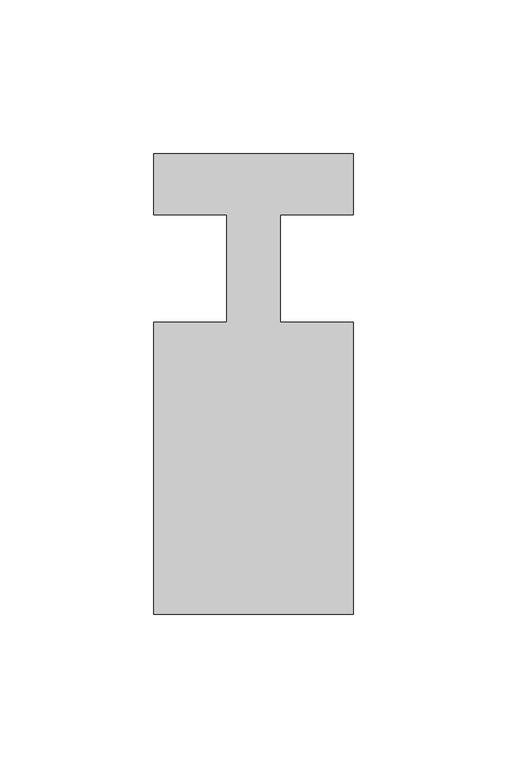
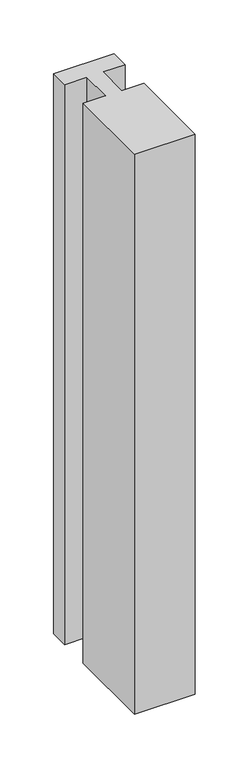
"""IFC4 building model written with IfcOpenShell, lengths in millimetres: member geometry."""

from ifc_helpers import new_model, si_unit, frame, origin, place, context, project, spatial, polyline, outline, extrude, source, transform, mapped, element, save


def member_7a7547f6(model_context):
    return source(origin(), model_context, "Body", "SweptSolid", [
        extrude(outline(polyline([(-32.5, 37.0), (32.5, 37.0), (32.5, 17.0), (8.6875, 17.0), (8.6875, -18.0), (32.5, -18.0), (32.5, -113.0), (-32.5, -113.0), (-32.5, -18.0), (-8.6875, -18.0), (-8.6875, 17.0), (-32.5, 17.0), (-32.5, 37.0)])), frame((0.0, 0.0, -635.0), z_axis=(0.0, 0.0, 1.0), x_axis=(1.0, 0.0, 0.0)), (0.0, 0.0, 1.0), 635.0),
    ])


if __name__ == "__main__":
    model = new_model("IFC4")
    model_context = context("Model", 3, world=origin())
    ifc_project = project(units=[si_unit("LENGTHUNIT", "METRE", prefix="MILLI")], contexts=[model_context])
    site = spatial("IfcSite", under=ifc_project)
    building = spatial("IfcBuilding", under=site)
    placement = place(None, origin())
    member_shape = member_7a7547f6(model_context)
    element("IfcMember", 1, at=placement, inside=building, context=model_context, shape_type="MappedRepresentation", body=[
        mapped(member_shape, transform((0.0, 0.0, 0.0), x_axis=(1.0, 0.0, 0.0), y_axis=(0.0, 1.0, 0.0), z_axis=(0.0, 0.0, 1.0))),
    ])
    save(model, "model.ifc")
